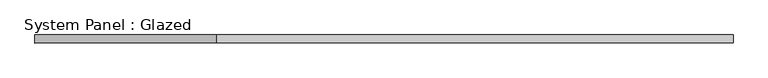
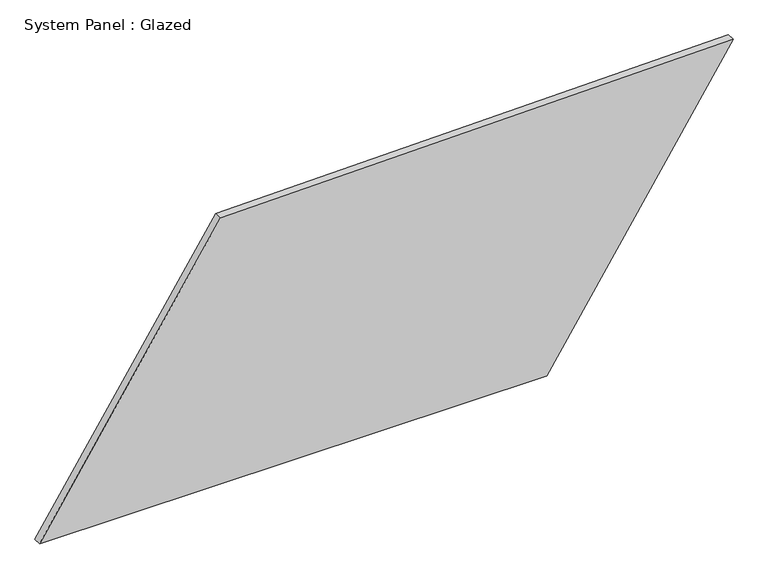
"""IFC4 building model written with IfcOpenShell, lengths in millimetres: plate geometry, System Panel : Glazed."""

import ifcopenshell
import ifcopenshell.guid

model = None  # the IFC model being written
_history = None  # IfcOwnerHistory: only IFC2X3 demands one
_inside = {}  # id of a spatial element -> (the spatial element, [elements in it])
_under = {}  # id of a project, library or spatial element -> (it, [spatial elements below it])
_declared = {}  # id of a project -> (the project, [libraries it declares])
_typed = {}  # id of a type object -> (the type object, [elements of that type])
_made_of = {}  # id of a material, layer set ... -> (it, [elements and type objects made of it])


def new_model(schema):
    """Start an empty IFC model of exactly this schema.

    Asked for "IFC4X3", IfcOpenShell would pick the latest addendum, in which some entities
    have other attributes; the version numbers below select the first issue.
    IFC2X3 requires an IfcOwnerHistory on every rooted entity: one is made here for all.
    """
    global model, _history
    if schema == "IFC4X3":
        model = ifcopenshell.file(schema_version=(4, 3, 0, 0))
    else:
        model = ifcopenshell.file(schema=schema)
    _inside.clear()
    _under.clear()
    _declared.clear()
    _typed.clear()
    _made_of.clear()
    _history = None
    if model.schema == "IFC2X3":
        org = make("IfcOrganization", Name="unknown")
        user = make(
            "IfcPersonAndOrganization",
            ThePerson=make("IfcPerson", FamilyName="unknown"),
            TheOrganization=org,
        )
        app = make(
            "IfcApplication",
            ApplicationDeveloper=org,
            Version="unknown",
            ApplicationFullName="unknown",
            ApplicationIdentifier="unknown",
        )
        _history = make(
            "IfcOwnerHistory",
            OwningUser=user,
            OwningApplication=app,
            ChangeAction="ADDED",
            CreationDate=0,
        )
    return model


def make(cls, **values):
    """One entity of the class cls with the attributes given. An attribute that is None is left unset."""
    return model.create_entity(
        cls, **{name: value for name, value in values.items() if value is not None}
    )


def rooted(cls, **values):
    """An entity with a GlobalId (a new one), such as an element, a storey or a relation."""
    return make(cls, GlobalId=ifcopenshell.guid.new(), OwnerHistory=_history, **values)


def si_unit(unit_type, name, prefix=None):
    """IfcSIUnit, for example si_unit("LENGTHUNIT", "METRE", prefix="MILLI")."""
    return make("IfcSIUnit", UnitType=unit_type, Prefix=prefix, Name=name)


def assignment(units):
    """IfcUnitAssignment: the units of a project."""
    return None if units is None else make("IfcUnitAssignment", Units=units)


def point(xyz):
    """IfcCartesianPoint."""
    return None if xyz is None else make("IfcCartesianPoint", Coordinates=xyz)


def direction(xyz):
    """IfcDirection."""
    return None if xyz is None else make("IfcDirection", DirectionRatios=xyz)


def frame(location, z_axis=None, x_axis=None):
    """IfcAxis2Placement3D, a coordinate frame: its origin and axes. An axis left out is left unset."""
    return make(
        "IfcAxis2Placement3D",
        Location=point(location),
        Axis=direction(z_axis),
        RefDirection=direction(x_axis),
    )


def origin():
    """The frame at (0, 0, 0) with its axes left unset."""
    return frame((0.0, 0.0, 0.0))


def place(relative_to, where):
    """IfcLocalPlacement: puts the frame where relative to a parent placement (None: the world)."""
    return make(
        "IfcLocalPlacement", PlacementRelTo=relative_to, RelativePlacement=where
    )


def context(
    kind, dimensions, precision=None, world=None, true_north=None, identifier=None
):
    """IfcGeometricRepresentationContext, for example the 3D "Model" context."""
    return make(
        "IfcGeometricRepresentationContext",
        ContextIdentifier=identifier,
        ContextType=kind,
        CoordinateSpaceDimension=dimensions,
        Precision=precision,
        WorldCoordinateSystem=world,
        TrueNorth=true_north,
    )


def project(units=None, contexts=None):
    """IfcProject with its units and contexts."""
    return rooted(
        "IfcProject",
        Name="project",
        RepresentationContexts=contexts,
        UnitsInContext=assignment(units),
    )


def spatial(cls, under=None, at=None, **own):
    """A site, building, storey or space (cls), placed at a placement, below another one or the project."""
    s = rooted(cls, ObjectPlacement=at, **own)
    if under is not None:
        _under.setdefault(under.id(), (under, []))[1].append(s)
    return s


def polyline(points):
    """IfcPolyline through the points."""
    return make("IfcPolyline", Points=[point(p) for p in points])


def outline(outer, holes=None, kind="AREA"):
    """IfcArbitraryClosedProfileDef: a profile drawn as a closed curve; with holes, ...WithVoids."""
    if holes is None:
        return make("IfcArbitraryClosedProfileDef", ProfileType=kind, OuterCurve=outer)
    return make(
        "IfcArbitraryProfileDefWithVoids",
        ProfileType=kind,
        OuterCurve=outer,
        InnerCurves=holes,
    )


def extrude(swept, where, along, depth):
    """IfcExtrudedAreaSolid: the profile swept, set in the frame where, extruded along a direction by depth."""
    return make(
        "IfcExtrudedAreaSolid",
        SweptArea=swept,
        Position=where,
        ExtrudedDirection=direction(along),
        Depth=depth,
    )


def shape(context_of_items, identifier, shape_type, items):
    """IfcShapeRepresentation: the items that make up one representation, for example the "Body"."""
    return make(
        "IfcShapeRepresentation",
        ContextOfItems=context_of_items,
        RepresentationIdentifier=identifier,
        RepresentationType=shape_type,
        Items=items,
    )


def source(mapping_origin, context_of_items, identifier, shape_type, items):
    """IfcRepresentationMap: a shape defined once, which mapped items show again and again."""
    return make(
        "IfcRepresentationMap",
        MappingOrigin=mapping_origin,
        MappedRepresentation=shape(context_of_items, identifier, shape_type, items),
    )


def transform(
    local_origin,
    x_axis=None,
    y_axis=None,
    z_axis=None,
    scale=None,
    scale2=None,
    scale3=None,
    uniform=True,
):
    """IfcCartesianTransformationOperator3D, or its non-uniform kind. x_axis, y_axis, z_axis: its Axis1, 2, 3."""
    if uniform:
        return make(
            "IfcCartesianTransformationOperator3D",
            Axis1=direction(x_axis),
            Axis2=direction(y_axis),
            LocalOrigin=point(local_origin),
            Scale=scale,
            Axis3=direction(z_axis),
        )
    return make(
        "IfcCartesianTransformationOperator3DnonUniform",
        Axis1=direction(x_axis),
        Axis2=direction(y_axis),
        LocalOrigin=point(local_origin),
        Scale=scale,
        Axis3=direction(z_axis),
        Scale2=scale2,
        Scale3=scale3,
    )


def mapped(mapping_source, mapping_target):
    """IfcMappedItem: shows the shape of a source again, moved by a transform."""
    return make(
        "IfcMappedItem", MappingSource=mapping_source, MappingTarget=mapping_target
    )


def made_of(thing, what):
    """Note that an element or type object is made of a material, layer set ...; save() writes the relation."""
    if what is not None:
        _made_of.setdefault(what.id(), (what, []))[1].append(thing)
    return thing


def element(
    cls,
    number,
    at=None,
    inside=None,
    cuts=None,
    type_object=None,
    material=None,
    context=None,
    identifier="Body",
    shape_type=None,
    held_by="IfcProductDefinitionShape",
    body=None,
    shapes=None,
    **own,
):
    """One element of the class cls, such as IfcWall. Its Tag is "e" and its number.

    at: its placement. inside: the storey or other place that contains it. cuts: it is an
    opening in that element (IfcRelVoidsElement). A single representation is given by context,
    identifier, shape_type and body (its items); several are given by shapes. held_by: the class
    of the entity that holds the representations. save() writes the other relations.
    """
    e = rooted(cls, Tag="e%d" % number, ObjectPlacement=at, **own)
    if body is not None:
        shapes = [shape(context, identifier, shape_type, body)]
    if shapes is not None:
        e.Representation = make(held_by, Representations=shapes)
    if inside is not None:
        _inside.setdefault(inside.id(), (inside, []))[1].append(e)
    if cuts is not None:
        rooted(
            "IfcRelVoidsElement", RelatingBuildingElement=cuts, RelatedOpeningElement=e
        )
    if type_object is not None:
        _typed.setdefault(type_object.id(), (type_object, []))[1].append(e)
    return made_of(e, material)


def aggregate(whole, parts):
    """IfcRelAggregates: a whole, such as a stair, and the parts it consists of."""
    return rooted("IfcRelAggregates", RelatingObject=whole, RelatedObjects=parts)


def save(model, path):
    """Write the relations noted so far, then the file.

    IfcRelAggregates (storeys below a building ...), IfcRelContainedInSpatialStructure (elements
    in a storey), IfcRelDefinesByType, IfcRelAssociatesMaterial and IfcRelDeclares: one each for
    every whole, place, type object, material and project.
    """
    for whole, parts in _under.values():
        aggregate(whole, parts)
    for where, things in _inside.values():
        rooted(
            "IfcRelContainedInSpatialStructure",
            RelatedElements=things,
            RelatingStructure=where,
        )
    for kind, things in _typed.values():
        rooted("IfcRelDefinesByType", RelatedObjects=things, RelatingType=kind)
    for what, things in _made_of.values():
        rooted("IfcRelAssociatesMaterial", RelatedObjects=things, RelatingMaterial=what)
    for by, libraries in _declared.values():
        rooted("IfcRelDeclares", RelatingContext=by, RelatedDefinitions=libraries)
    model.write(path)


def system_panel_glazed_aaf8c76b(model_context):
    return source(origin(), model_context, "Body", "SweptSolid", [
        extrude(outline(polyline([(0.0, -1083.2290997), (0.0, 501.6544243), (908.4751155, 1083.2290997), (878.2597222, -518.6148515), (0.0, -1083.2290997)])), frame((0.0, -49.5, 0.0), z_axis=(0.0, 1.0, 0.0), x_axis=(0.0, 0.0, 1.0)), (0.0, 0.0, 1.0), 25.0),
    ])


if __name__ == "__main__":
    model = new_model("IFC4")
    model_context = context("Model", 3, world=origin())
    ifc_project = project(units=[si_unit("LENGTHUNIT", "METRE", prefix="MILLI")], contexts=[model_context])
    site = spatial("IfcSite", under=ifc_project)
    building = spatial("IfcBuilding", under=site)
    placement = place(None, origin())
    system_panel_glazed_shape = system_panel_glazed_aaf8c76b(model_context)
    element("IfcPlate", 1, ObjectType="System Panel : Glazed", at=placement, inside=building, context=model_context, shape_type="MappedRepresentation", body=[
        mapped(system_panel_glazed_shape, transform((0.0, 0.0, 0.0), x_axis=(1.0, 0.0, 0.0), y_axis=(0.0, 1.0, 0.0), z_axis=(0.0, 0.0, 1.0))),
    ])
    save(model, "model.ifc")
